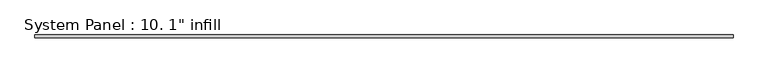
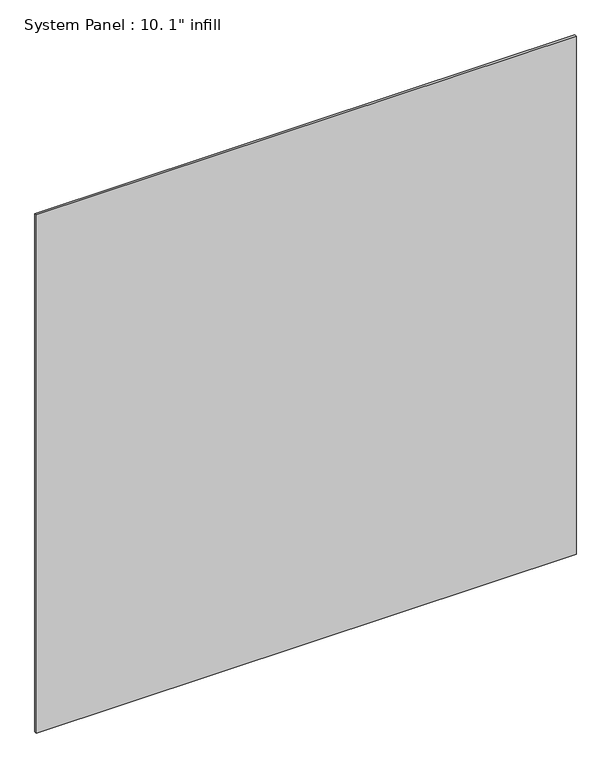
"""IFC4 building model written with IfcOpenShell, lengths in millimetres: plate geometry."""

from ifc_helpers import new_model, si_unit, origin, origin_with_axes, place, context, project, spatial, polyline, outline, extrude, source, transform, mapped, element, save


def plate_be36cb28(model_context):
    return source(origin(), model_context, "Body", "SweptSolid", [
        extrude(outline(polyline([(2975.6100541, -12.7), (-2975.6100541, -12.7), (-2975.6100541, 12.7), (2975.6100541, 12.7), (2975.6100541, -12.7)])), origin_with_axes(), (0.0, 0.0, 1.0), 6038.85),
    ])


if __name__ == "__main__":
    model = new_model("IFC4")
    model_context = context("Model", 3, world=origin())
    ifc_project = project(units=[si_unit("LENGTHUNIT", "METRE", prefix="MILLI")], contexts=[model_context])
    site = spatial("IfcSite", under=ifc_project)
    building = spatial("IfcBuilding", under=site)
    placement = place(None, origin())
    plate_shape = plate_be36cb28(model_context)
    element("IfcPlate", 1, ObjectType="System Panel : 10. 1\" infill", at=placement, inside=building, context=model_context, shape_type="MappedRepresentation", body=[
        mapped(plate_shape, transform((0.0, 0.0, 0.0), x_axis=(1.0, 0.0, 0.0), y_axis=(0.0, 1.0, 0.0), z_axis=(0.0, 0.0, 1.0))),
    ])
    save(model, "model.ifc")
